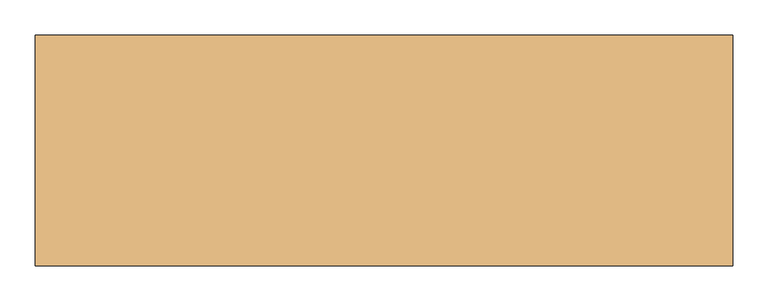
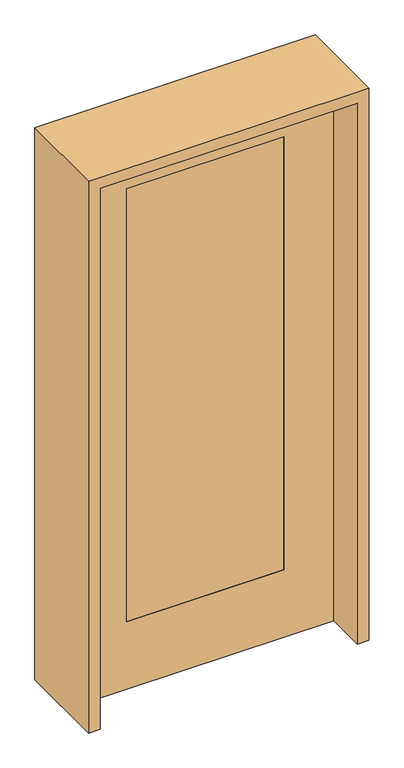
"""IFC4 building model written with IfcOpenShell, lengths in millimetres: door geometry."""

from ifc_helpers import new_model, si_unit, frame, origin, place, context, project, spatial, polyline, outline, extrude, source, transform, mapped, element, save


def door_550f9832(model_context):
    return source(origin(), model_context, "Body", "SweptSolid", [
        extrude(outline(polyline([(2032.0, 457.2), (2032.0, -457.2), (0.0, -457.2), (0.0, 457.2), (2032.0, 457.2)]), holes=[polyline([(254.0, 279.4), (254.0, -279.4), (1879.6, -279.4), (1879.6, 279.4), (254.0, 279.4)])]), frame((0.0, -20.701, 0.0), z_axis=(0.0, 1.0, 0.0), x_axis=(0.0, 0.0, 1.0)), (0.0, 0.0, 1.0), 41.402),
        extrude(outline(polyline([(279.4, -20.701), (-279.4, -20.701), (-279.4, 20.701), (279.4, 20.701), (279.4, -20.701)])), frame((0.0, 0.0, 254.0), z_axis=(0.0, 0.0, 1.0), x_axis=(1.0, 0.0, 0.0)), (0.0, 0.0, 1.0), 1625.6),
        extrude(outline(polyline([(2073.275, -498.475), (0.0, -498.475), (0.0, -457.2), (2032.0, -457.2), (2032.0, 457.2), (0.0, 457.2), (0.0, 498.475), (2073.275, 498.475), (2073.275, -498.475)])), frame((0.0, -165.1, 0.0), z_axis=(0.0, 1.0, 0.0), x_axis=(0.0, 0.0, 1.0)), (0.0, 0.0, 1.0), 330.2),
    ])


if __name__ == "__main__":
    model = new_model("IFC4")
    model_context = context("Model", 3, world=origin())
    ifc_project = project(units=[si_unit("LENGTHUNIT", "METRE", prefix="MILLI")], contexts=[model_context])
    site = spatial("IfcSite", under=ifc_project)
    building = spatial("IfcBuilding", under=site)
    placement = place(None, origin())
    door_shape = door_550f9832(model_context)
    element("IfcDoor", 1, at=placement, inside=building, context=model_context, shape_type="MappedRepresentation", body=[
        mapped(door_shape, transform((0.0, 0.0, 0.0), x_axis=(1.0, 0.0, 0.0), y_axis=(0.0, 1.0, 0.0), z_axis=(0.0, 0.0, 1.0))),
    ])
    save(model, "model.ifc")
